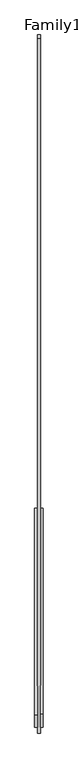
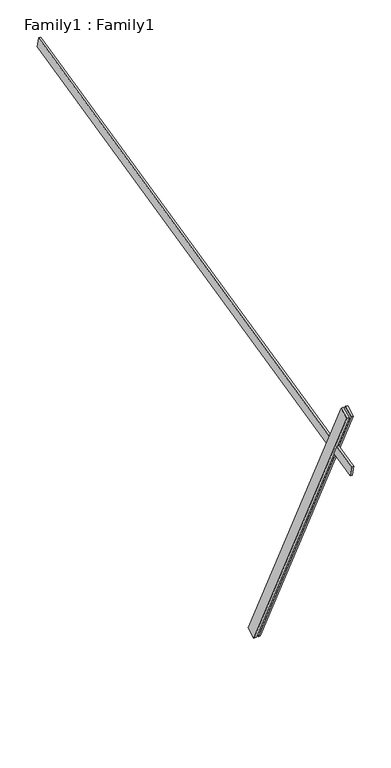
"""IFC4 building model written with IfcOpenShell, lengths in millimetres: proxy geometry, Family1 : Family1."""

from ifc_helpers import new_model, si_unit, frame, origin, place, context, project, spatial, polyline, outline, extrude, source, transform, mapped, element, save


def family1_family1_9ecc07d4(model_context):
    return source(origin(), model_context, "Body", "SweptSolid", [
        extrude(outline(polyline([(0.0, 0.0), (-100.0000001, 0.0), (-100.0000001, 20.0), (0.0, 20.0), (0.0, 0.0)])), frame((-30.0, -46.3241747, -22.5938096), z_axis=(0.0, -0.4383711467890692, 0.8987940462991711), x_axis=(0.0, -0.8987940462991711, -0.4383711467890692)), (0.0, 0.0, 1.0), 3300.0),
        extrude(outline(polyline([(0.0, 0.0), (-99.9999999, 0.0), (-99.9999999, 20.0), (0.0, 20.0), (0.0, 0.0)])), frame((10.0, -45.270232, -22.0797674), z_axis=(0.0, -0.4383711467890692, 0.8987940462991711), x_axis=(0.0, -0.8987940462991711, -0.4383711467890692)), (0.0, 0.0, 1.0), 3300.0),
        extrude(outline(polyline([(0.0, 20.0), (5000.0000001, 20.0), (5000.0000001, 0.0), (0.0, 0.0), (0.0, 20.0)])), frame((-10.0, 3361.6546337, 3524.7839191), z_axis=(0.0, -0.22495105434386733, 0.9743700647852348), x_axis=(0.0, -0.9743700647852348, -0.22495105434386733)), (0.0, 0.0, 1.0), 100.0),
    ])


if __name__ == "__main__":
    model = new_model("IFC4")
    model_context = context("Model", 3, world=origin())
    ifc_project = project(units=[si_unit("LENGTHUNIT", "METRE", prefix="MILLI")], contexts=[model_context])
    site = spatial("IfcSite", under=ifc_project)
    building = spatial("IfcBuilding", under=site)
    placement = place(None, origin())
    family1_family1_shape = family1_family1_9ecc07d4(model_context)
    element("IfcBuildingElementProxy", 1, Name="Family1 : Family1", ObjectType="Family1 : Family1", at=placement, inside=building, context=model_context, shape_type="MappedRepresentation", body=[
        mapped(family1_family1_shape, transform((0.0, 0.0, 0.0), x_axis=(1.0, 0.0, 0.0), y_axis=(0.0, 1.0, 0.0), z_axis=(0.0, 0.0, 1.0))),
    ])
    save(model, "model.ifc")
